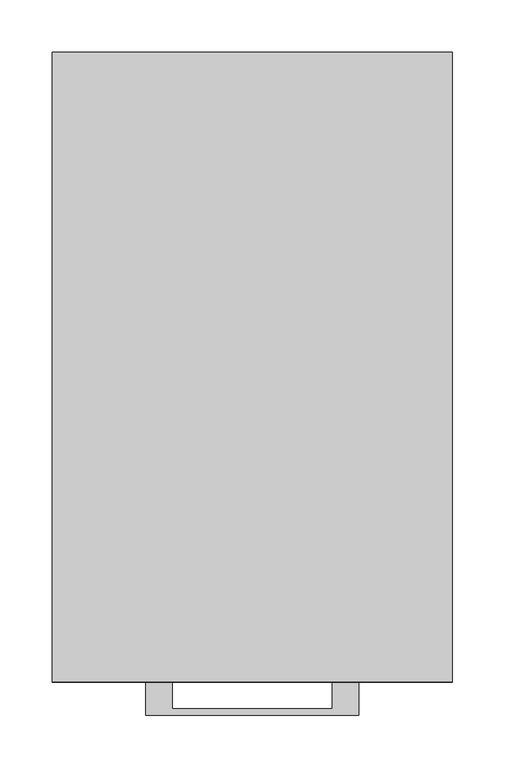
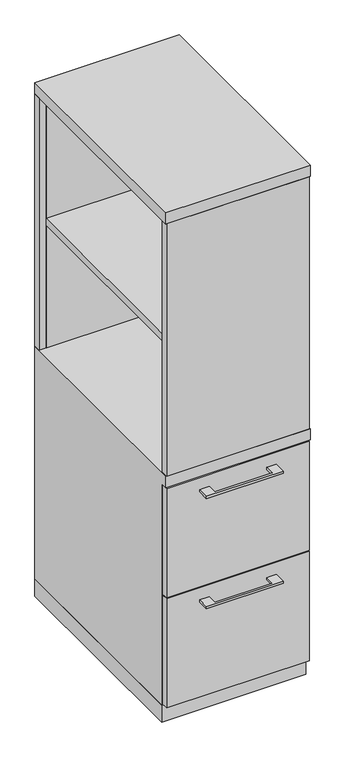
"""IFC4 building model written with IfcOpenShell, lengths in millimetres: furniture geometry."""

from ifc_helpers import new_model, si_unit, frame, origin, origin_with_axes, place, context, project, spatial, polyline, outline, extrude, faceted_brep, source, transform, mapped, element, save


def furniture_76e8a954(model_context):
    return source(origin(), model_context, "Body", "SolidModel", [
        extrude(outline(polyline([(171.45, -581.025), (-171.45, -581.025), (-171.45, -19.05), (171.45, -19.05), (171.45, -581.025)])), frame((0.0, 0.0, 1041.4), z_axis=(0.0, 0.0, 1.0), x_axis=(1.0, 0.0, 0.0)), (0.0, 0.0, 1.0), 19.05),
        extrude(outline(polyline([(-76.1999818, -600.075), (-76.1999818, -625.4749758), (76.2, -625.4749758), (76.2, -600.075), (101.5999939, -600.075), (101.5999939, -631.8249879), (-101.5999939, -631.8249879), (-101.5999939, -600.075), (-76.1999818, -600.075)])), frame((0.0, 0.0, 623.8875506), z_axis=(0.0, 0.0, 1.0), x_axis=(1.0, 0.0, 0.0)), (0.0, 0.0, 1.0), 6.3499758),
        extrude(outline(polyline([(188.9125, -581.025), (188.9125, -600.075), (-188.9125, -600.075), (-188.9125, -581.025), (188.9125, -581.025)])), frame((0.0, 0.0, 358.775), z_axis=(0.0, 0.0, 1.0), x_axis=(1.0, 0.0, 0.0)), (0.0, 0.0, 1.0), 304.8),
        extrude(outline(polyline([(-76.1999818, -600.075), (-76.1999818, -625.4749758), (76.2, -625.4749758), (76.2, -600.075), (101.5999939, -600.075), (101.5999939, -631.8249879), (-101.5999939, -631.8249879), (-101.5999939, -600.075), (-76.1999818, -600.075)])), frame((0.0, 0.0, 315.9125506), z_axis=(0.0, 0.0, 1.0), x_axis=(1.0, 0.0, 0.0)), (0.0, 0.0, 1.0), 6.3499758),
        extrude(outline(polyline([(188.9125, -581.025), (188.9125, -600.075), (-188.9125, -600.075), (-188.9125, -581.025), (188.9125, -581.025)])), frame((0.0, 0.0, 50.8), z_axis=(0.0, 0.0, 1.0), x_axis=(1.0, 0.0, 0.0)), (0.0, 0.0, 1.0), 304.8),
        extrude(outline(polyline([(188.9125, -581.025), (188.9125, -600.075), (-188.9125, -600.075), (-188.9125, -581.025), (188.9125, -581.025)])), frame((0.0, 0.0, 698.5), z_axis=(0.0, 0.0, 1.0), x_axis=(1.0, 0.0, 0.0)), (0.0, 0.0, 1.0), 704.85),
        extrude(outline(polyline([(171.45, -19.05), (-171.45, -19.05), (-171.45, 0.0), (171.45, 0.0), (171.45, -19.05)])), frame((0.0, 0.0, 47.625), z_axis=(0.0, 0.0, 1.0), x_axis=(1.0, 0.0, 0.0)), (0.0, 0.0, 1.0), 1355.725),
        faceted_brep([(-171.45, 0.0, 698.5), (-190.5, 0.0, 698.5), (-190.5, -600.075, 698.5), (190.5, -600.075, 698.5), (190.5, 0.0, 698.5), (171.45, 0.0, 698.5), (171.45, -19.05, 698.5), (-171.45, -19.05, 698.5), (-171.45, 0.0, 47.625), (-171.45, -581.025, 47.625), (-190.5, -581.025, 47.625), (-190.5, 0.0, 47.625), (-190.5, -581.025, 666.75), (-190.5, -600.075, 666.75), (-171.45, -581.025, 666.75), (-171.45, -19.05, 666.75), (190.5, -600.075, 666.75), (171.45, -19.05, 666.75), (171.45, -581.025, 666.75), (190.5, -581.025, 666.75), (190.5, -581.025, 47.625), (190.5, 0.0, 47.625), (171.45, -581.025, 47.625), (171.45, 0.0, 47.625)], [[[0, 1, 2, 3, 4, 5, 6, 7]], [[8, 9, 10, 11]], [[1, 0, 8, 11]], [[11, 10, 12, 13, 2, 1]], [[10, 9, 14, 12]], [[9, 8, 0, 7, 15, 14]], [[16, 13, 12, 14, 15, 17, 18, 19]], [[15, 7, 6, 17]], [[3, 2, 13, 16]], [[4, 3, 16, 19, 20, 21]], [[21, 20, 22, 23]], [[5, 4, 21, 23]], [[23, 22, 18, 17, 6, 5]], [[22, 20, 19, 18]]]),
        extrude(outline(polyline([(-171.45, 0.0), (-171.45, -19.05), (-190.5, -19.05), (-190.5, 0.0), (-171.45, 0.0)])), frame((0.0, 0.0, 698.5), z_axis=(0.0, 0.0, 1.0), x_axis=(1.0, 0.0, 0.0)), (0.0, 0.0, 1.0), 704.85),
        extrude(outline(polyline([(190.5, -581.025), (171.45, -581.025), (171.45, 0.0), (190.5, 0.0), (190.5, -581.025)])), frame((0.0, 0.0, 698.5), z_axis=(0.0, 0.0, 1.0), x_axis=(1.0, 0.0, 0.0)), (0.0, 0.0, 1.0), 704.85),
        extrude(outline(polyline([(190.5, 0.0), (190.5, -600.075), (-190.5, -600.075), (-190.5, 0.0), (190.5, 0.0)])), frame((0.0, 0.0, 1403.35), z_axis=(0.0, 0.0, 1.0), x_axis=(1.0, 0.0, 0.0)), (0.0, 0.0, 1.0), 31.75),
        extrude(outline(polyline([(190.5, 0.0), (190.5, -581.025), (-190.5, -581.025), (-190.5, 0.0), (190.5, 0.0)])), origin_with_axes(), (0.0, 0.0, 1.0), 47.625),
    ])


if __name__ == "__main__":
    model = new_model("IFC4")
    model_context = context("Model", 3, world=origin())
    ifc_project = project(units=[si_unit("LENGTHUNIT", "METRE", prefix="MILLI")], contexts=[model_context])
    site = spatial("IfcSite", under=ifc_project)
    building = spatial("IfcBuilding", under=site)
    placement = place(None, origin())
    furniture_shape = furniture_76e8a954(model_context)
    element("IfcFurniture", 1, at=placement, inside=building, context=model_context, shape_type="MappedRepresentation", body=[
        mapped(furniture_shape, transform((0.0, 0.0, 0.0), x_axis=(1.0, 0.0, 0.0), y_axis=(0.0, 1.0, 0.0), z_axis=(0.0, 0.0, 1.0))),
    ])
    save(model, "model.ifc")
